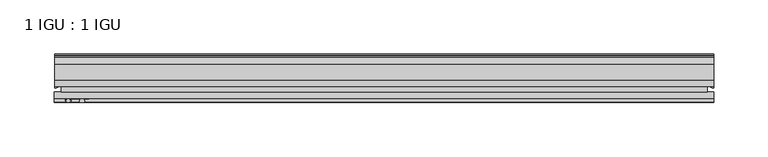
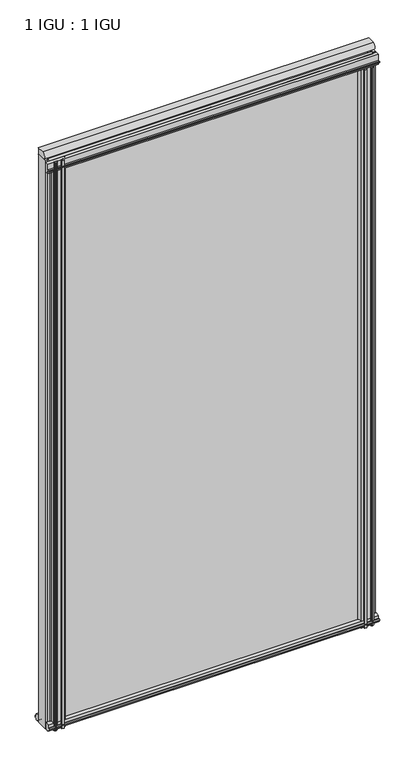
"""IFC4 building model written with IfcOpenShell, lengths in millimetres: plate geometry, 1 IGU : 1 IGU."""

from ifc_helpers import new_model, si_unit, point, frame, frame_2d, origin, place, context, project, spatial, polyline, circle_curve, ellipse_curve, trimmed, segment, composite_curve, outline, extrude, source, transform, mapped, element, save
from ifc_brep_helpers import plane_surface, cylinder_surface, revolved_surface, extruded_surface, advanced_brep


def plate_1_igu_1_igu_0e61fb4b(model_context):
    return source(origin(), model_context, "Body", "SolidModel", [
        extrude(outline(polyline([(-298.45, -38.6468937), (298.45, -38.6468937), (298.45, -44.9460938), (-298.45, -44.9460938), (-298.45, -38.6468937)])), frame((0.0, 0.0, -12.7), z_axis=(0.0, 0.0, 1.0), x_axis=(1.0, 0.0, 0.0)), (0.0, 0.0, 1.0), 1106.5764186),
        extrude(outline(polyline([(-298.45, -19.5460937), (298.45, -19.5460937), (298.45, -25.8960938), (-298.45, -25.8960938), (-298.45, -19.5460937)])), frame((0.0, 0.0, -12.7), z_axis=(0.0, 0.0, 1.0), x_axis=(1.0, 0.0, 0.0)), (0.0, 0.0, 1.0), 1106.5764186),
        advanced_brep(
        [(304.8, -21.1709383, -12.4587), (304.8, -41.5384061, -12.4587), (297.2776629, -32.2460938, -12.4587), (298.45, -25.8452938, -12.4587), (298.45, -19.5460938, -12.4587), (304.8, -21.1709383, 1093.8764186), (298.45, -19.5460938, 1093.8764186), (298.45, -25.8452938, 1093.8764186), (297.2776629, -32.2460938, 1093.8764186), (304.8, -41.5384061, 1093.8764186)],
        [
            (0, 1),
            (1, 2, ellipse_curve(frame((304.8, -32.2460938, -12.4587), z_axis=(0.0, 0.0, -1.0), x_axis=(0.0, -1.0, 0.0)), 9.2923124, 7.5223371)),
            (2, 3, circle_curve(frame((315.3375763, -32.2460938, -12.4587), z_axis=(0.0, 0.0, -1.0), x_axis=(1.0, 0.0, 0.0)), 18.0599135)),
            (3, 4),
            (4, 0, circle_curve(frame((304.8, -7.950406, -12.4587), z_axis=(0.0, 0.0, 1.0), x_axis=(1.0, 0.0, 0.0)), 13.2205323)),
            (5, 6, circle_curve(frame((304.8, -7.950406, 1093.8764186), z_axis=(0.0, 0.0, -1.0), x_axis=(1.0, 0.0, 0.0)), 13.2205323)),
            (6, 7),
            (7, 8, circle_curve(frame((315.3375763, -32.2460938, 1093.8764186), z_axis=(0.0, 0.0, 1.0), x_axis=(1.0, 0.0, 0.0)), 18.0599135)),
            (8, 9, ellipse_curve(frame((304.8, -32.2460938, 1093.8764186), z_axis=(0.0, 0.0, 1.0), x_axis=(0.0, -1.0, 0.0)), 9.2923124, 7.5223371)),
            (9, 5),
            (1, 9),
            (8, 2),
            (7, 3),
            (6, 4),
            (5, 0),
        ],
        [
            plane_surface(frame((304.8, -13.1960938, -12.4587), z_axis=(0.0, 0.0, -1.0), x_axis=(0.0, 1.0, 0.0))),
            plane_surface(frame((304.8, -13.1960938, 1093.8764186), z_axis=(0.0, 0.0, 1.0), x_axis=(0.0, 1.0, 0.0))),
            extruded_surface(trimmed(ellipse_curve(frame((304.8, -32.2460938, 1093.8764186), z_axis=(0.0, 0.0, -1.0), x_axis=(0.0, -1.0, 0.0)), 9.2923124, 7.5223371), [point((304.8, -41.5384061, 1093.8764186))], [point((297.2776629, -32.2460938, 1093.8764186))], True, "CARTESIAN"), (0.0, 0.0, -1106.3351186), 1106.3351186),
            cylinder_surface(frame((315.3375763, -32.2460938, -12.4587), z_axis=(0.0, 0.0, -1.0), x_axis=(1.0, 0.0, 0.0)), 18.0599135),
            plane_surface(frame((298.45, -25.8452938, -12.4587), z_axis=(-1.0, 0.0, 0.0), x_axis=(0.0, 0.0, 1.0))),
            revolved_surface(polyline([(318.0205323, -7.950406, 1093.8764186), (318.0205323, -7.950406, -12.4587)]), (304.8, -7.950406, -12.4587), (0.0, 0.0, 1.0)),
            plane_surface(frame((304.8, -21.1709383, -12.4587), z_axis=(1.0, 0.0, 0.0), x_axis=(0.0, 0.0, 1.0))),
        ],
        [
            (0, [[1, 2, 3, 4, 5]]),
            (1, [[6, 7, 8, 9, 10]]),
            (2, [[-2, 11, -9, 12]]),
            (3, [[-3, -12, -8, 13]]),
            (4, [[-4, -13, -7, 14]]),
            (5, [[-5, -14, -6, 15]]),
            (6, [[-1, -15, -10, -11]]),
        ],
    ),
        advanced_brep(
        [(-304.8, -21.1706006, -12.7), (-298.4513881, -19.5461438, -12.7), (-298.4513881, -25.8549351, -12.7), (-297.2760369, -32.21431, -12.7), (-304.8, -41.5384043, -12.7), (-304.8, -21.1706006, 1093.8764186), (-304.8, -41.5384043, 1093.8764186), (-297.2760369, -32.21431, 1093.8764186), (-298.4513881, -25.8549351, 1093.8764186), (-298.4513881, -19.5461438, 1093.8764186)],
        [
            (0, 1, circle_curve(frame((-304.8005694, -7.9505008, -12.7), z_axis=(0.0, 0.0, 1.0), x_axis=(1.0, 0.0, 0.0)), 13.2200998)),
            (1, 2),
            (2, 3, circle_curve(frame((-315.3384012, -32.2643264, -12.7), z_axis=(0.0, 0.0, -1.0), x_axis=(1.0, 0.0, 0.0)), 18.0624336)),
            (3, 4, ellipse_curve(frame((-304.7991671, -32.2460921, -12.7), z_axis=(0.0, 0.0, -1.0), x_axis=(0.0, -1.0, 0.0)), 9.2923123, 7.5231742)),
            (4, 0),
            (5, 6),
            (6, 7, ellipse_curve(frame((-304.7991671, -32.2460921, 1093.8764186), z_axis=(0.0, 0.0, 1.0), x_axis=(0.0, -1.0, 0.0)), 9.2923123, 7.5231742)),
            (7, 8, circle_curve(frame((-315.3384012, -32.2643264, 1093.8764186), z_axis=(0.0, 0.0, 1.0), x_axis=(1.0, 0.0, 0.0)), 18.0624336)),
            (8, 9),
            (9, 5, circle_curve(frame((-304.8005694, -7.9505008, 1093.8764186), z_axis=(0.0, 0.0, -1.0), x_axis=(1.0, 0.0, 0.0)), 13.2200998)),
            (0, 5),
            (9, 1),
            (8, 2),
            (7, 3),
            (6, 4),
        ],
        [
            plane_surface(frame((-304.8, -13.1960937, -12.7), z_axis=(0.0, 0.0, -1.0), x_axis=(0.0, 1.0, 0.0))),
            plane_surface(frame((-304.8, -13.1960937, 1093.8764186), z_axis=(0.0, 0.0, 1.0), x_axis=(0.0, 1.0, 0.0))),
            revolved_surface(polyline([(-291.58046959999996, -7.9505008, 1093.8764186), (-291.58046959999996, -7.9505008, -12.7)]), (-304.8005694, -7.9505008, -12.7), (0.0, 0.0, 1.0)),
            plane_surface(frame((-298.4513881, -19.5461438, -12.7), z_axis=(1.0, 0.0, 0.0), x_axis=(0.0, 0.0, 1.0))),
            cylinder_surface(frame((-315.3384012, -32.2643264, -12.7), z_axis=(0.0, 0.0, -1.0), x_axis=(1.0, 0.0, 0.0)), 18.0624336),
            extruded_surface(trimmed(ellipse_curve(frame((-304.7991671, -32.2460921, 1093.8764186), z_axis=(0.0, 0.0, -1.0), x_axis=(0.0, -1.0, 0.0)), 9.2923123, 7.5231742), [point((-297.2760369, -32.21431, 1093.8764186))], [point((-304.8, -41.5384043, 1093.8764186))], True, "CARTESIAN"), (0.0, 0.0, -1106.5764186000001), 1106.5764186000001),
            plane_surface(frame((-304.8, -41.5384043, -12.7), z_axis=(-1.0, 0.0, 0.0), x_axis=(0.0, 0.0, 1.0))),
        ],
        [
            (0, [[1, 2, 3, 4, 5]]),
            (1, [[6, 7, 8, 9, 10]]),
            (2, [[-1, 11, -10, 12]]),
            (3, [[-2, -12, -9, 13]]),
            (4, [[-3, -13, -8, 14]]),
            (5, [[-4, -14, -7, 15]]),
            (6, [[-5, -15, -6, -11]]),
        ],
    ),
        extrude(outline(polyline([(-44.9460937, 1.7177181), (-44.9460937, -9.1036578), (-48.3496937, -11.938), (-51.2960937, -11.938), (-51.2960937, -7.493), (-53.6762907, -7.112), (-53.2163575, -8.5275291), (-54.0175717, -8.5275291), (-54.7250937, -6.35), (-54.0175717, -4.1724709), (-53.2163575, -4.1724709), (-53.6762907, -5.588), (-51.2960937, -5.207), (-51.2960937, 0.0), (-44.9460937, 1.7177181)])), frame((-304.8, 0.0, 0.0), z_axis=(1.0, 0.0, 0.0), x_axis=(0.0, 1.0, 0.0)), (0.0, 0.0, 1.0), 609.6),
        extrude(outline(polyline([(-13.1960937, -12.4587), (-16.1424937, -12.4587), (-19.5460937, -9.6243578), (-19.5460937, 1.1970181), (-13.1960937, -0.5207), (-13.1960937, -5.7277), (-10.8158968, -6.1087), (-11.27583, -4.6931709), (-10.4746158, -4.6931709), (-9.7670937, -6.8707), (-10.4746158, -9.0482291), (-11.27583, -9.0482291), (-10.8158968, -7.6327), (-13.1960937, -8.0137), (-13.1960937, -12.4587)])), frame((-304.8, 0.0, 0.0), z_axis=(1.0, 0.0, 0.0), x_axis=(0.0, 1.0, 0.0)), (0.0, 0.0, 1.0), 609.6),
        extrude(outline(composite_curve([segment(polyline([(-44.9380025, 1074.7385163), (-51.2960937, 1074.7385163), (-51.2960937, 1079.5645163), (-54.1955564, 1079.5645163), (-54.8194621, 1080.5418087)]), True, "CONTINUOUS"), segment(trimmed(circle_curve(frame_2d((-53.9630937, 1081.0885163)), 1.016), [point((-54.8194621, 1080.5418087))], [point((-54.8194621, 1081.6352239))], False, "CARTESIAN"), True, "CONTINUOUS"), segment(polyline([(-54.8194621, 1081.6352239), (-54.1955564, 1082.6125163), (-51.2878033, 1082.6125163), (-51.2916866, 1093.7771998), (-44.9380025, 1093.7771998), (-44.9380025, 1074.7385163)]), True, "CONTINUOUS")], self_intersect=False)), frame((-305.2422939, 0.0, 0.0), z_axis=(1.0, 0.0, 0.0), x_axis=(0.0, 1.0, 0.0)), (0.0, 0.0, 1.0), 610.0422939),
        extrude(outline(composite_curve([segment(polyline([(295.2750002, -44.9460938), (295.2750002, -51.2960938), (293.6240002, -51.2960938), (293.6240002, -52.9470938), (294.7016309, -52.9470938)]), True, "CONTINUOUS"), segment(trimmed(circle_curve(frame_2d((293.6240002, -52.9470938)), 1.0776307), [point((294.7016309, -52.9470938))], [point((294.3860002, -53.7090938))], False, "CARTESIAN"), True, "CONTINUOUS"), segment(polyline([(294.3860002, -53.7090938), (292.6467077, -54.8194621)]), True, "CONTINUOUS"), segment(trimmed(circle_curve(frame_2d((292.1000002, -53.9630938)), 1.016), [point((292.6467077, -54.8194621))], [point((291.5532926, -54.8194621))], False, "CARTESIAN"), True, "CONTINUOUS"), segment(polyline([(291.5532926, -54.8194621), (289.8140002, -53.7090938)]), True, "CONTINUOUS"), segment(trimmed(circle_curve(frame_2d((290.5760002, -52.9470938)), 1.0776307), [point((289.8140002, -53.7090938))], [point((289.4983694, -52.9470938))], False, "CARTESIAN"), True, "CONTINUOUS"), segment(polyline([(289.4983694, -52.9470938), (290.5760002, -52.9470938), (290.5760002, -51.2960938), (281.5082002, -51.2960938)]), True, "CONTINUOUS"), segment(trimmed(circle_curve(frame_2d((281.5082002, -51.7532938)), 0.4572), [point((281.5082002, -51.2960938))], [point((281.1693823, -52.0602698))], True, "CARTESIAN"), True, "CONTINUOUS"), segment(trimmed(circle_curve(frame_2d((279.4000002, -53.663367)), 2.3876), [point((281.1693823, -52.0602698))], [point((281.4706432, -54.8520938))], False, "CARTESIAN"), True, "CONTINUOUS"), segment(polyline([(281.4706432, -54.8520938), (277.3293572, -54.8520938)]), True, "CONTINUOUS"), segment(trimmed(circle_curve(frame_2d((279.4000002, -53.663367)), 2.3876), [point((277.3293572, -54.8520938))], [point((277.630618, -52.0602698))], False, "CARTESIAN"), True, "CONTINUOUS"), segment(trimmed(circle_curve(frame_2d((277.2918002, -51.7532938)), 0.4572), [point((277.630618, -52.0602698))], [point((277.2918002, -51.2960938))], True, "CARTESIAN"), True, "CONTINUOUS"), segment(polyline([(277.2918002, -51.2960938), (273.0500002, -51.2960938)]), True, "CONTINUOUS"), segment(trimmed(circle_curve(frame_2d((264.0340687, -51.9750196)), 9.0414579), [point((273.0500002, -51.2960938))], [point((269.7210856, -44.9460938))], True, "CARTESIAN"), True, "CONTINUOUS"), segment(polyline([(269.7210856, -44.9460938), (295.2750002, -44.9460938)]), True, "CONTINUOUS")], self_intersect=False)), frame((0.0, 0.0, -12.7), z_axis=(0.0, 0.0, 1.0), x_axis=(1.0, 0.0, 0.0)), (0.0, 0.0, 1.0), 1087.5264186),
        extrude(outline(composite_curve([segment(trimmed(circle_curve(frame_2d((-264.0340687, -51.9750196)), 9.0414579), [point((-269.7210856, -44.9460938))], [point((-273.0500002, -51.2960938))], True, "CARTESIAN"), True, "CONTINUOUS"), segment(polyline([(-273.0500002, -51.2960938), (-277.2918002, -51.2960938)]), True, "CONTINUOUS"), segment(trimmed(circle_curve(frame_2d((-277.2918002, -51.7532938)), 0.4572), [point((-277.2918002, -51.2960938))], [point((-277.630618, -52.0602698))], True, "CARTESIAN"), True, "CONTINUOUS"), segment(trimmed(circle_curve(frame_2d((-279.4000002, -53.663367)), 2.3876), [point((-277.630618, -52.0602698))], [point((-277.3293572, -54.8520938))], False, "CARTESIAN"), True, "CONTINUOUS"), segment(polyline([(-277.3293572, -54.8520938), (-281.4706432, -54.8520938)]), True, "CONTINUOUS"), segment(trimmed(circle_curve(frame_2d((-279.4000002, -53.663367)), 2.3876), [point((-281.4706432, -54.8520938))], [point((-281.1693823, -52.0602698))], False, "CARTESIAN"), True, "CONTINUOUS"), segment(trimmed(circle_curve(frame_2d((-281.5082002, -51.7532938)), 0.4572), [point((-281.1693823, -52.0602698))], [point((-281.5082002, -51.2960938))], True, "CARTESIAN"), True, "CONTINUOUS"), segment(polyline([(-281.5082002, -51.2960938), (-290.5760002, -51.2960938), (-290.5760002, -52.9470938), (-289.4983694, -52.9470938)]), True, "CONTINUOUS"), segment(trimmed(circle_curve(frame_2d((-290.5760002, -52.9470938)), 1.0776307), [point((-289.4983694, -52.9470938))], [point((-289.8140002, -53.7090938))], False, "CARTESIAN"), True, "CONTINUOUS"), segment(polyline([(-289.8140002, -53.7090938), (-291.5532926, -54.8194621)]), True, "CONTINUOUS"), segment(trimmed(circle_curve(frame_2d((-292.1000002, -53.9630938)), 1.016), [point((-291.5532926, -54.8194621))], [point((-292.6467077, -54.8194621))], False, "CARTESIAN"), True, "CONTINUOUS"), segment(polyline([(-292.6467077, -54.8194621), (-294.3860002, -53.7090938)]), True, "CONTINUOUS"), segment(trimmed(circle_curve(frame_2d((-293.6240002, -52.9470938)), 1.0776307), [point((-294.3860002, -53.7090938))], [point((-294.7016309, -52.9470938))], False, "CARTESIAN"), True, "CONTINUOUS"), segment(polyline([(-294.7016309, -52.9470938), (-293.6240002, -52.9470938), (-293.6240002, -51.2960938), (-295.2750002, -51.2960938), (-295.2750002, -44.9460938), (-269.7210856, -44.9460938)]), True, "CONTINUOUS")], self_intersect=False)), frame((0.0, 0.0, -12.7), z_axis=(0.0, 0.0, 1.0), x_axis=(1.0, 0.0, 0.0)), (0.0, 0.0, 1.0), 1106.5764187),
        extrude(outline(composite_curve([segment(trimmed(circle_curve(frame_2d((-9.2245666, 1100.1899978)), 12.1106873), [point((-19.5460937, 1106.525203))], [point((-19.5460937, 1093.8547926))], True, "CARTESIAN"), True, "CONTINUOUS"), segment(polyline([(-19.5460937, 1093.8547926), (-33.8757421, 1093.8547926)]), True, "CONTINUOUS"), segment(trimmed(circle_curve(frame_2d((-33.8757421, 1100.1899978)), 6.3352052), [point((-33.8757421, 1093.8547926))], [point((-33.8757421, 1106.525203))], False, "CARTESIAN"), True, "CONTINUOUS"), segment(polyline([(-33.8757421, 1106.525203), (-19.5460937, 1106.525203)]), True, "CONTINUOUS")], self_intersect=False)), frame((-304.8, 0.0, 0.0), z_axis=(1.0, 0.0, 0.0), x_axis=(0.0, 1.0, 0.0)), (0.0, 0.0, 1.0), 609.6),
    ])


if __name__ == "__main__":
    model = new_model("IFC4")
    model_context = context("Model", 3, world=origin())
    ifc_project = project(units=[si_unit("LENGTHUNIT", "METRE", prefix="MILLI")], contexts=[model_context])
    site = spatial("IfcSite", under=ifc_project)
    building = spatial("IfcBuilding", under=site)
    placement = place(None, origin())
    plate_1_igu_1_igu_shape = plate_1_igu_1_igu_0e61fb4b(model_context)
    element("IfcPlate", 1, ObjectType="1 IGU : 1 IGU", at=placement, inside=building, context=model_context, shape_type="MappedRepresentation", body=[
        mapped(plate_1_igu_1_igu_shape, transform((0.0, 0.0, 0.0), x_axis=(1.0, 0.0, 0.0), y_axis=(0.0, 1.0, 0.0), z_axis=(0.0, 0.0, 1.0))),
    ])
    save(model, "model.ifc")
